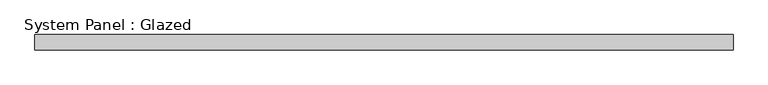
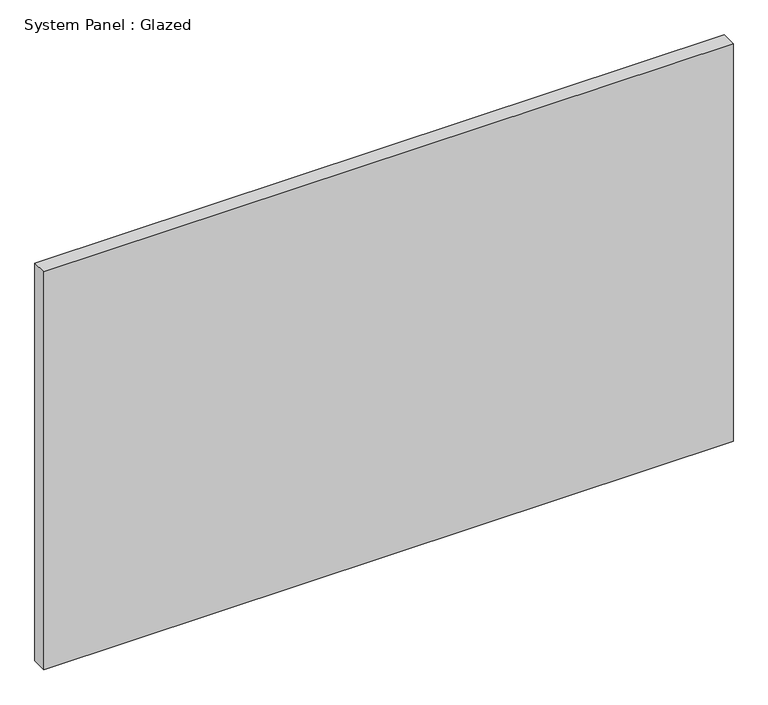
"""IFC4 building model written with IfcOpenShell, lengths in millimetres: plate geometry, System Panel : Glazed."""

from ifc_helpers import new_model, si_unit, origin, origin_with_axes, place, context, project, spatial, polyline, outline, extrude, source, transform, mapped, element, save


def system_panel_glazed_3ce60a77(model_context):
    return source(origin(), model_context, "Body", "SweptSolid", [
        extrude(outline(polyline([(577.775, -44.45), (-577.775, -44.45), (-577.775, -19.05), (577.775, -19.05), (577.775, -44.45)])), origin_with_axes(), (0.0, 0.0, 1.0), 704.75),
    ])


if __name__ == "__main__":
    model = new_model("IFC4")
    model_context = context("Model", 3, world=origin())
    ifc_project = project(units=[si_unit("LENGTHUNIT", "METRE", prefix="MILLI")], contexts=[model_context])
    site = spatial("IfcSite", under=ifc_project)
    building = spatial("IfcBuilding", under=site)
    placement = place(None, origin())
    system_panel_glazed_shape = system_panel_glazed_3ce60a77(model_context)
    element("IfcPlate", 1, ObjectType="System Panel : Glazed", at=placement, inside=building, context=model_context, shape_type="MappedRepresentation", body=[
        mapped(system_panel_glazed_shape, transform((0.0, 0.0, 0.0), x_axis=(1.0, 0.0, 0.0), y_axis=(0.0, 1.0, 0.0), z_axis=(0.0, 0.0, 1.0))),
    ])
    save(model, "model.ifc")
